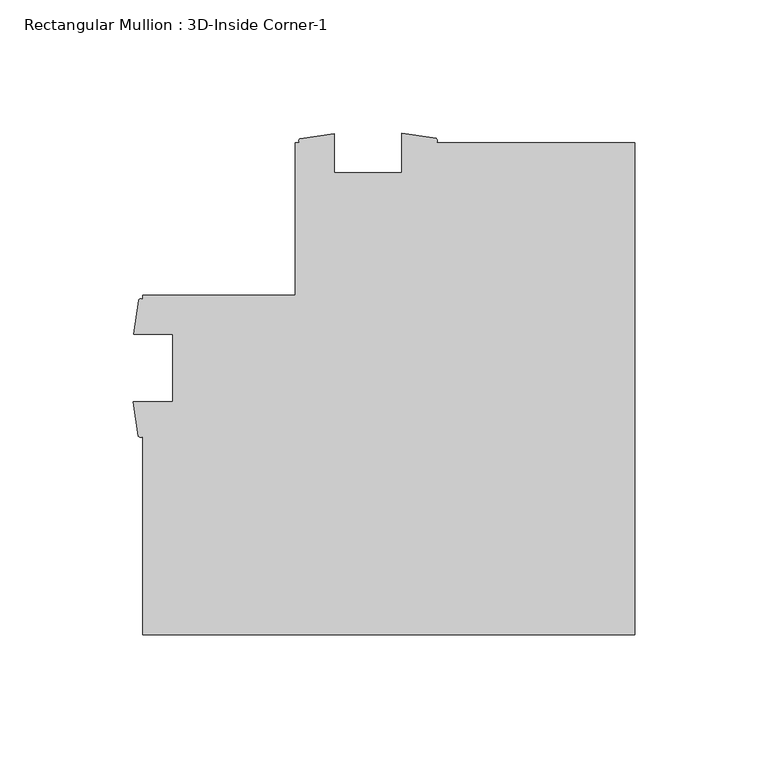
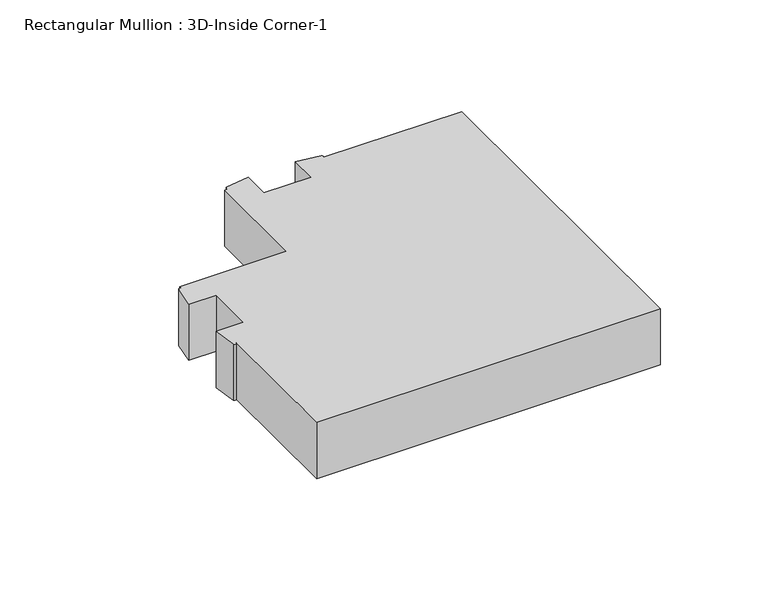
"""IFC4 building model written with IfcOpenShell, lengths in millimetres: member geometry, Rectangular Mullion : 3D-Inside Corner-1."""

from ifc_helpers import new_model, si_unit, point, frame, frame_2d, origin, place, context, project, spatial, polyline, circle_curve, trimmed, segment, composite_curve, outline, extrude, source, transform, mapped, element, save


def rectangular_mullion_3d_inside_corner_1_89311d66(model_context):
    return source(origin(), model_context, "Body", "SweptSolid", [
        extrude(outline(composite_curve([segment(polyline([(0.0, 111.125), (0.0, -73.025), (-184.15, -73.025), (-184.15, 1.2984222)]), True, "CONTINUOUS"), segment(trimmed(circle_curve(frame_2d((-184.9817022, 1.8528756)), 0.9995735), [point((-184.15, 1.2984222))], [point((-185.8134044, 1.2984222))], False, "CARTESIAN"), True, "CONTINUOUS"), segment(polyline([(-185.8134044, 1.2984222), (-187.6695217, 14.071475), (-173.0375, 14.071475), (-173.0375, 39.471475), (-187.546, 39.471475), (-185.7358963, 52.2427625)]), True, "CONTINUOUS"), segment(trimmed(circle_curve(frame_2d((-184.9429481, 51.7433229)), 0.9371268), [point((-185.7358963, 52.2427625))], [point((-184.15, 52.2427625))], False, "CARTESIAN"), True, "CONTINUOUS"), segment(polyline([(-184.15, 52.2427625), (-184.15, 53.975), (-127.0, 53.975), (-127.0, 111.125), (-125.196475, 111.125)]), True, "CONTINUOUS"), segment(trimmed(circle_curve(frame_2d((-124.8409453, 111.923)), 0.8736162), [point((-125.196475, 111.125))], [point((-125.196475, 112.721))], False, "CARTESIAN"), True, "CONTINUOUS"), segment(polyline([(-125.196475, 112.721), (-112.496475, 114.521), (-112.496475, 100.0125), (-87.096475, 100.0125), (-87.096475, 114.6445217), (-74.3234222, 112.7884044)]), True, "CONTINUOUS"), segment(trimmed(circle_curve(frame_2d((-74.87765, 111.9567022)), 0.9994483), [point((-74.3234222, 112.7884044))], [point((-74.3234222, 111.125))], False, "CARTESIAN"), True, "CONTINUOUS"), segment(polyline([(-74.3234222, 111.125), (0.0, 111.125)]), True, "CONTINUOUS")], self_intersect=False)), frame((0.0, 0.0, -31.8407782), z_axis=(0.0, 0.0, 1.0), x_axis=(1.0, 0.0, 0.0)), (0.0, 0.0, 1.0), 31.8407782),
    ])


if __name__ == "__main__":
    model = new_model("IFC4")
    model_context = context("Model", 3, world=origin())
    ifc_project = project(units=[si_unit("LENGTHUNIT", "METRE", prefix="MILLI")], contexts=[model_context])
    site = spatial("IfcSite", under=ifc_project)
    building = spatial("IfcBuilding", under=site)
    placement = place(None, origin())
    rectangular_mullion_3d_inside_corner_1_shape = rectangular_mullion_3d_inside_corner_1_89311d66(model_context)
    element("IfcMember", 1, ObjectType="Rectangular Mullion : 3D-Inside Corner-1", at=placement, inside=building, context=model_context, shape_type="MappedRepresentation", body=[
        mapped(rectangular_mullion_3d_inside_corner_1_shape, transform((0.0, 0.0, 0.0), x_axis=(1.0, 0.0, 0.0), y_axis=(0.0, 1.0, 0.0), z_axis=(0.0, 0.0, 1.0))),
    ])
    save(model, "model.ifc")
